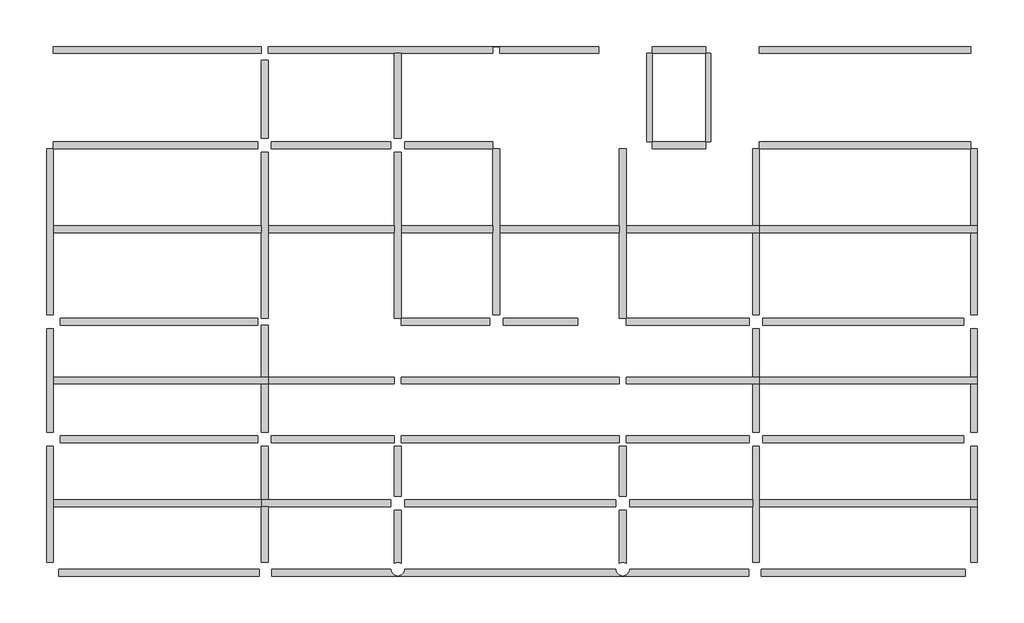
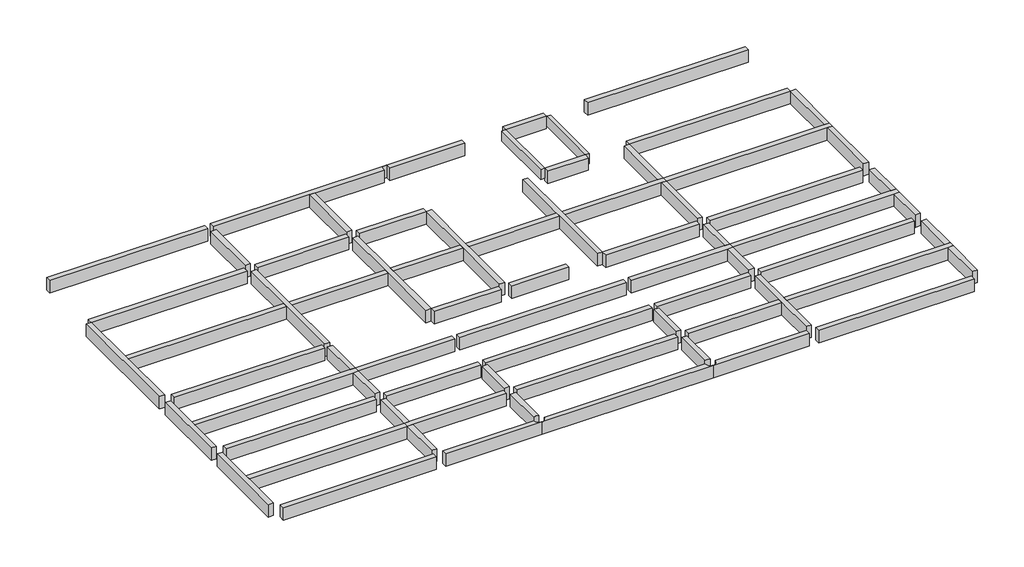
# One storey: 71 beams.
"""IFC4 building model written with IfcOpenShell, lengths in millimetres."""

from ifc_helpers import new_model, si_unit, point, frame, frame_2d, origin, place, context, project, spatial, polyline, circle_curve, trimmed, segment, composite_curve, outline, extrude, faceted_brep, element, save

model = new_model("IFC4")

# Units and contexts
model_context = context("Model", 3, world=origin())
ifc_project = project(units=[si_unit("LENGTHUNIT", "METRE", prefix="MILLI")], contexts=[model_context])

# Site, building, storey
site = spatial("IfcSite", under=ifc_project)
building = spatial("IfcBuilding", under=site)
storey = spatial("IfcBuildingStorey", under=building, Elevation=4000.0)

# Beams
placement = place(None, origin())
element("IfcBeam", 1, ObjectType="M_Concrete-Rectangular Beam", at=placement, inside=storey, context=model_context, shape_type="SweptSolid", body=[
    extrude(outline(polyline([(18442.0305702, 37517.5759125), (18442.0305702, 37117.5759125), (6442.0300012, 37117.5759125), (6442.0300012, 37517.5759125), (18442.0305702, 37517.5759125)])), frame((0.0, 0.0, 3000.0), z_axis=(0.0, 0.0, 1.0), x_axis=(1.0, 0.0, 0.0)), (0.0, 0.0, 1.0), 1000.0),
])
element("IfcBeam", 2, ObjectType="M_Concrete-Rectangular Beam", at=placement, inside=storey, context=model_context, shape_type="Brep", body=[
    faceted_brep([(18842.0305702, 37517.5759125, 4000.0), (18842.0305702, 37117.5759125, 4000.0), (26142.0300012, 37117.5759125, 4000.0), (26542.0300012, 37117.5759125, 4000.0), (31842.0300012, 37117.5759125, 4000.0), (31842.0300012, 37502.9312516, 4000.0), (32242.0300012, 37502.9312516, 4000.0), (32242.0300012, 37517.5759125, 4000.0), (18842.0305702, 37117.5759125, 3000.0), (26142.0300012, 37117.5759125, 3000.0), (26542.0300012, 37117.5759125, 3000.0), (31842.0300012, 37117.5759125, 3000.0), (18842.0305702, 37517.5759125, 3000.0), (32242.0300012, 37517.5759125, 3000.0), (32242.0300012, 37502.9312516, 3000.0), (31842.0300012, 37502.9312516, 3000.0)], [[[0, 1, 2, 3, 4, 5, 6, 7]], [[1, 8, 9, 10, 11, 4, 3, 2]], [[8, 12, 13, 14, 15, 11, 10, 9]], [[12, 0, 7, 13]], [[0, 12, 8, 1]], [[13, 7, 6, 14]], [[15, 5, 4, 11]], [[5, 15, 14, 6]]]),
])
element("IfcBeam", 3, ObjectType="M_Concrete-Rectangular Beam", at=placement, inside=storey, context=model_context, shape_type="Brep", body=[
    faceted_brep([(32242.0300012, 37517.5759125, 4000.0), (32242.0300012, 37502.9312516, 4000.0), (32242.0300012, 37117.5759125, 4000.0), (37942.0300012, 37117.5759125, 4000.0), (37942.0300012, 37517.5759125, 4000.0), (32242.0300012, 37117.5759125, 3000.0), (37942.0300012, 37117.5759125, 3000.0), (32242.0300012, 37502.9312516, 3000.0), (32242.0300012, 37517.5759125, 3000.0), (37942.0300012, 37517.5759125, 3000.0)], [[[0, 1, 2, 3, 4]], [[2, 5, 6, 3]], [[5, 7, 8, 9, 6]], [[4, 9, 8, 0]], [[0, 8, 7, 5, 2, 1]], [[4, 3, 6, 9]]]),
])
element("IfcBeam", 4, ObjectType="M_Concrete-Rectangular Beam", at=placement, inside=storey, context=model_context, shape_type="SweptSolid", body=[
    extrude(outline(polyline([(44129.3305702, 37517.5759125), (44129.3305702, 37117.5759125), (41042.0300012, 37117.5759125), (41042.0300012, 37517.5759125), (44129.3305702, 37517.5759125)])), frame((0.0, 0.0, 3000.0), z_axis=(0.0, 0.0, 1.0), x_axis=(1.0, 0.0, 0.0)), (0.0, 0.0, 1.0), 1000.0),
])
element("IfcBeam", 5, ObjectType="M_Concrete-Rectangular Beam", at=placement, inside=storey, context=model_context, shape_type="SweptSolid", body=[
    extrude(outline(polyline([(47242.0300012, 37117.0134278), (47242.0300012, 37517.0134278), (59442.0300012, 37517.0134278), (59442.0300012, 37117.0134278), (47242.0300012, 37117.0134278)])), frame((0.0, 0.0, 3000.0), z_axis=(0.0, 0.0, 1.0), x_axis=(1.0, 0.0, 0.0)), (0.0, 0.0, 1.0), 1000.0),
])
element("IfcBeam", 6, ObjectType="M_Concrete-Rectangular Beam", at=placement, inside=storey, context=model_context, shape_type="SweptSolid", body=[
    extrude(outline(polyline([(18242.0305702, 32017.5759125), (18242.0305702, 31617.5759125), (6442.0300012, 31617.5759125), (6442.0300012, 32017.5759125), (18242.0305702, 32017.5759125)])), frame((0.0, 0.0, 3000.0), z_axis=(0.0, 0.0, 1.0), x_axis=(1.0, 0.0, 0.0)), (0.0, 0.0, 1.0), 1000.0),
])
element("IfcBeam", 7, ObjectType="M_Concrete-Rectangular Beam", at=placement, inside=storey, context=model_context, shape_type="SweptSolid", body=[
    extrude(outline(polyline([(25942.0305702, 32017.5759125), (25942.0305702, 31617.5759125), (19042.0305702, 31617.5759125), (19042.0305702, 32017.5759125), (25942.0305702, 32017.5759125)])), frame((0.0, 0.0, 3000.0), z_axis=(0.0, 0.0, 1.0), x_axis=(1.0, 0.0, 0.0)), (0.0, 0.0, 1.0), 1000.0),
])
element("IfcBeam", 8, ObjectType="M_Concrete-Rectangular Beam", at=placement, inside=storey, context=model_context, shape_type="SweptSolid", body=[
    extrude(outline(polyline([(26742.0305702, 31617.5759125), (26742.0305702, 32017.5759125), (31842.0300012, 32017.5759125), (31842.0300012, 31617.5759125), (26742.0305702, 31617.5759125)])), frame((0.0, 0.0, 3000.0), z_axis=(0.0, 0.0, 1.0), x_axis=(1.0, 0.0, 0.0)), (0.0, 0.0, 1.0), 1000.0),
])
element("IfcBeam", 9, ObjectType="M_Concrete-Rectangular Beam", at=placement, inside=storey, context=model_context, shape_type="SweptSolid", body=[
    extrude(outline(polyline([(18842.0300012, 32217.5759125), (18442.0300012, 32217.5759125), (18442.0300012, 36717.5759125), (18842.0300012, 36717.5759125), (18842.0300012, 32217.5759125)])), frame((0.0, 0.0, 3000.0), z_axis=(0.0, 0.0, 1.0), x_axis=(1.0, 0.0, 0.0)), (0.0, 0.0, 1.0), 1000.0),
])
element("IfcBeam", 10, ObjectType="M_Concrete-Rectangular Beam", at=placement, inside=storey, context=model_context, shape_type="SweptSolid", body=[
    extrude(outline(polyline([(26542.0300012, 32217.5759125), (26142.0300012, 32217.5759125), (26142.0300012, 37117.5759125), (26542.0300012, 37117.5759125), (26542.0300012, 32217.5759125)])), frame((0.0, 0.0, 3000.0), z_axis=(0.0, 0.0, 1.0), x_axis=(1.0, 0.0, 0.0)), (0.0, 0.0, 1.0), 1000.0),
])
element("IfcBeam", 11, ObjectType="M_Concrete-Rectangular Beam", at=placement, inside=storey, context=model_context, shape_type="SweptSolid", body=[
    extrude(outline(polyline([(44129.3305702, 32017.5759125), (44129.3305702, 31617.5759125), (41054.7300012, 31617.5759125), (41054.7300012, 32017.5759125), (44129.3305702, 32017.5759125)])), frame((0.0, 0.0, 3000.0), z_axis=(0.0, 0.0, 1.0), x_axis=(1.0, 0.0, 0.0)), (0.0, 0.0, 1.0), 1000.0),
])
element("IfcBeam", 12, ObjectType="M_Concrete-Rectangular Beam", at=placement, inside=storey, context=model_context, shape_type="SweptSolid", body=[
    extrude(outline(polyline([(59442.0300012, 32017.5759125), (59442.0300012, 31617.5759125), (47242.0300012, 31617.5759125), (47242.0300012, 32017.5759125), (59442.0300012, 32017.5759125)])), frame((0.0, 0.0, 3000.0), z_axis=(0.0, 0.0, 1.0), x_axis=(1.0, 0.0, 0.0)), (0.0, 0.0, 1.0), 1000.0),
])
element("IfcBeam", 13, ObjectType="M_Concrete-Rectangular Beam", at=placement, inside=storey, context=model_context, shape_type="SweptSolid", body=[
    extrude(outline(polyline([(41042.0300012, 32017.5759125), (40742.0300012, 32017.5759125), (40742.0300012, 37117.5759125), (41042.0300012, 37117.5759125), (41042.0300012, 32017.5759125)])), frame((0.0, 0.0, 3200.0), z_axis=(0.0, 0.0, 1.0), x_axis=(1.0, 0.0, 0.0)), (0.0, 0.0, 1.0), 800.0),
])
element("IfcBeam", 14, ObjectType="M_Concrete-Rectangular Beam", at=placement, inside=storey, context=model_context, shape_type="SweptSolid", body=[
    extrude(outline(polyline([(44442.0305702, 32017.5759125), (44142.0305702, 32017.5759125), (44142.0305702, 37117.5759125), (44442.0305702, 37117.5759125), (44442.0305702, 32017.5759125)])), frame((0.0, 0.0, 3200.0), z_axis=(0.0, 0.0, 1.0), x_axis=(1.0, 0.0, 0.0)), (0.0, 0.0, 1.0), 800.0),
])
element("IfcBeam", 15, ObjectType="M_Concrete-Rectangular Beam", at=placement, inside=storey, context=model_context, shape_type="Brep", body=[
    faceted_brep([(6042.0300012, 22017.5759125, 4000.0), (6442.0300012, 22017.5759125, 4000.0), (6442.0300012, 26767.5759125, 4000.0), (6442.0300012, 27167.5759125, 4000.0), (6442.0300012, 31617.5759125, 4000.0), (6042.0300012, 31617.5759125, 4000.0), (6042.0300012, 22017.5759125, 3000.0), (6042.0300012, 31617.5759125, 3000.0), (6442.0300012, 22017.5759125, 3000.0), (6442.0300012, 31617.5759125, 3000.0), (6442.0300012, 27167.5759125, 3000.0), (6442.0300012, 26767.5759125, 3000.0)], [[[0, 1, 2, 3, 4, 5]], [[6, 0, 5, 7]], [[8, 6, 7, 9, 10, 11]], [[1, 8, 11, 10, 9, 4, 3, 2]], [[1, 0, 6, 8]], [[5, 4, 9, 7]]]),
])
element("IfcBeam", 16, ObjectType="M_Concrete-Rectangular Beam", at=placement, inside=storey, context=model_context, shape_type="Brep", body=[
    faceted_brep([(6442.0300012, 21217.0134278, 4000.0), (6042.0300012, 21217.0134278, 4000.0), (6042.0300012, 15217.5759125, 4000.0), (6442.0300012, 15217.5759125, 4000.0), (6442.0300012, 18017.5759125, 4000.0), (6442.0300012, 18417.5759125, 4000.0), (6042.0300012, 21217.0134278, 3000.0), (6042.0300012, 15217.5759125, 3000.0), (6442.0300012, 21217.0134278, 3000.0), (6442.0300012, 18417.5759125, 3000.0), (6442.0300012, 18017.5759125, 3000.0), (6442.0300012, 15217.5759125, 3000.0)], [[[0, 1, 2, 3, 4, 5]], [[1, 6, 7, 2]], [[6, 8, 9, 10, 11, 7]], [[8, 0, 5, 4, 3, 11, 10, 9]], [[0, 8, 6, 1]], [[3, 2, 7, 11]]]),
])
element("IfcBeam", 17, ObjectType="M_Concrete-Rectangular Beam", at=placement, inside=storey, context=model_context, shape_type="Brep", body=[
    faceted_brep([(6442.0300012, 14417.0134278, 4000.0), (6042.0300012, 14417.0134278, 4000.0), (6042.0300012, 7717.5759125, 4000.0), (6442.0300012, 7717.5759125, 4000.0), (6442.0300012, 10917.5759125, 4000.0), (6442.0300012, 11317.5759125, 4000.0), (6042.0300012, 14417.0134278, 3000.0), (6042.0300012, 7717.5759125, 3000.0), (6442.0300012, 14417.0134278, 3000.0), (6442.0300012, 11317.5759125, 3000.0), (6442.0300012, 10917.5759125, 3000.0), (6442.0300012, 7717.5759125, 3000.0)], [[[0, 1, 2, 3, 4, 5]], [[1, 6, 7, 2]], [[6, 8, 9, 10, 11, 7]], [[8, 0, 5, 4, 3, 11, 10, 9]], [[0, 8, 6, 1]], [[3, 2, 7, 11]]]),
])
element("IfcBeam", 18, ObjectType="M_Concrete-Rectangular Beam", at=placement, inside=storey, context=model_context, shape_type="Brep", body=[
    faceted_brep([(39142.0300012, 31617.0134278, 4000.0), (39542.0300012, 31617.0134278, 4000.0), (39542.0300012, 31617.0134278, 3000.0), (39142.0300012, 31617.0134278, 3000.0), (39142.0300012, 27167.5759125, 4000.0), (39142.0300012, 26767.5759125, 4000.0), (39142.0300012, 21817.5759125, 4000.0), (39542.0300012, 21817.5759125, 4000.0), (39542.0300012, 26767.5759125, 4000.0), (39542.0300012, 27167.5759125, 4000.0), (39542.0300012, 21817.5759125, 3000.0), (39542.0300012, 26767.5759125, 3000.0), (39542.0300012, 27167.5759125, 3000.0), (39142.0300012, 21817.5759125, 3000.0), (39142.0300012, 26767.5759125, 3000.0), (39142.0300012, 27167.5759125, 3000.0)], [[[0, 1, 2, 3]], [[1, 0, 4, 5, 6, 7, 8, 9]], [[2, 1, 9, 8, 7, 10, 11, 12]], [[3, 2, 12, 11, 10, 13, 14, 15]], [[0, 3, 15, 14, 13, 6, 5, 4]], [[7, 6, 13, 10]]]),
])
element("IfcBeam", 19, ObjectType="M_Concrete-Rectangular Beam", at=placement, inside=storey, context=model_context, shape_type="Brep", body=[
    faceted_brep([(31842.0300012, 31617.0134175, 4000.0), (32242.0300012, 31617.0134175, 4000.0), (32242.0300012, 31617.0134175, 3000.0), (31842.0300012, 31617.0134175, 3000.0), (31842.0300012, 27167.5759125, 4000.0), (31842.0300012, 26767.5759125, 4000.0), (31842.0300012, 22017.5759125, 4000.0), (32242.0300012, 22017.5759125, 4000.0), (32242.0300012, 26767.5759125, 4000.0), (32242.0300012, 27167.5759125, 4000.0), (32242.0300012, 22017.5759125, 3000.0), (32242.0300012, 26767.5759125, 3000.0), (32242.0300012, 27167.5759125, 3000.0), (31842.0300012, 22017.5759125, 3000.0), (31842.0300012, 26767.5759125, 3000.0), (31842.0300012, 27167.5759125, 3000.0)], [[[0, 1, 2, 3]], [[1, 0, 4, 5, 6, 7, 8, 9]], [[2, 1, 9, 8, 7, 10, 11, 12]], [[3, 2, 12, 11, 10, 13, 14, 15]], [[0, 3, 15, 14, 13, 6, 5, 4]], [[7, 6, 13, 10]]]),
])
element("IfcBeam", 20, ObjectType="M_Concrete-Rectangular Beam", at=placement, inside=storey, context=model_context, shape_type="Brep", body=[
    faceted_brep([(26542.0300012, 31417.0134278, 4000.0), (26142.0300012, 31417.0134278, 4000.0), (26142.0300012, 27167.5759125, 4000.0), (26142.0300012, 26767.5759125, 4000.0), (26142.0300012, 21817.5759125, 4000.0), (26542.0300012, 21817.5759125, 4000.0), (26542.0300012, 26767.5759125, 4000.0), (26542.0300012, 27167.5759125, 4000.0), (26542.0300012, 31417.0134278, 3000.0), (26542.0300012, 21817.5759125, 3000.0), (26542.0300012, 26767.5759125, 3000.0), (26542.0300012, 27167.5759125, 3000.0), (26142.0300012, 31417.0134278, 3000.0), (26142.0300012, 21817.5759125, 3000.0), (26142.0300012, 26767.5759125, 3000.0), (26142.0300012, 27167.5759125, 3000.0)], [[[0, 1, 2, 3, 4, 5, 6, 7]], [[8, 0, 7, 6, 5, 9, 10, 11]], [[12, 8, 11, 10, 9, 13, 14, 15]], [[1, 12, 15, 14, 13, 4, 3, 2]], [[1, 0, 8, 12]], [[5, 4, 13, 9]]]),
])
element("IfcBeam", 21, ObjectType="M_Concrete-Rectangular Beam", at=placement, inside=storey, context=model_context, shape_type="Brep", body=[
    faceted_brep([(18842.0300012, 31417.0134278, 4000.0), (18442.0300012, 31417.0134278, 4000.0), (18442.0300012, 27167.5759125, 4000.0), (18442.0300012, 26767.5759125, 4000.0), (18442.0300012, 21817.5759125, 4000.0), (18842.0300012, 21817.5759125, 4000.0), (18842.0300012, 26767.5759125, 4000.0), (18842.0300012, 27167.5759125, 4000.0), (18842.0300012, 31417.0134278, 3000.0), (18842.0300012, 21817.5759125, 3000.0), (18842.0300012, 26767.5759125, 3000.0), (18842.0300012, 27167.5759125, 3000.0), (18442.0300012, 31417.0134278, 3000.0), (18442.0300012, 21817.5759125, 3000.0), (18442.0300012, 26767.5759125, 3000.0), (18442.0300012, 27167.5759125, 3000.0)], [[[0, 1, 2, 3, 4, 5, 6, 7]], [[8, 0, 7, 6, 5, 9, 10, 11]], [[12, 8, 11, 10, 9, 13, 14, 15]], [[1, 12, 15, 14, 13, 4, 3, 2]], [[1, 0, 8, 12]], [[5, 4, 13, 9]]]),
])
element("IfcBeam", 22, ObjectType="M_Concrete-Rectangular Beam", at=placement, inside=storey, context=model_context, shape_type="SweptSolid", body=[
    extrude(outline(polyline([(6442.0300012, 26767.5759125), (6442.0300012, 27167.5759125), (18442.0300012, 27167.5759125), (18442.0300012, 26767.5759125), (6442.0300012, 26767.5759125)])), frame((0.0, 0.0, 3000.0), z_axis=(0.0, 0.0, 1.0), x_axis=(1.0, 0.0, 0.0)), (0.0, 0.0, 1.0), 1000.0),
])
element("IfcBeam", 23, ObjectType="M_Concrete-Rectangular Beam", at=placement, inside=storey, context=model_context, shape_type="SweptSolid", body=[
    extrude(outline(polyline([(26142.0300012, 27167.5759125), (26142.0300012, 26767.5759125), (18842.0300012, 26767.5759125), (18842.0300012, 27167.5759125), (26142.0300012, 27167.5759125)])), frame((0.0, 0.0, 3000.0), z_axis=(0.0, 0.0, 1.0), x_axis=(1.0, 0.0, 0.0)), (0.0, 0.0, 1.0), 1000.0),
])
element("IfcBeam", 24, ObjectType="M_Concrete-Rectangular Beam", at=placement, inside=storey, context=model_context, shape_type="SweptSolid", body=[
    extrude(outline(polyline([(31842.0300012, 27167.5759125), (31842.0300012, 26767.5759125), (26542.0300012, 26767.5759125), (26542.0300012, 27167.5759125), (31842.0300012, 27167.5759125)])), frame((0.0, 0.0, 3000.0), z_axis=(0.0, 0.0, 1.0), x_axis=(1.0, 0.0, 0.0)), (0.0, 0.0, 1.0), 1000.0),
])
element("IfcBeam", 25, ObjectType="M_Concrete-Rectangular Beam", at=placement, inside=storey, context=model_context, shape_type="SweptSolid", body=[
    extrude(outline(polyline([(39142.0300012, 27167.5759125), (39142.0300012, 26767.5759125), (32242.0300012, 26767.5759125), (32242.0300012, 27167.5759125), (39142.0300012, 27167.5759125)])), frame((0.0, 0.0, 3000.0), z_axis=(0.0, 0.0, 1.0), x_axis=(1.0, 0.0, 0.0)), (0.0, 0.0, 1.0), 1000.0),
])
element("IfcBeam", 26, ObjectType="M_Concrete-Rectangular Beam", at=placement, inside=storey, context=model_context, shape_type="Brep", body=[
    faceted_brep([(47242.0300012, 26767.5759125, 4000.0), (47242.0300012, 27167.5759125, 4000.0), (46842.0300012, 27167.5759125, 4000.0), (39542.0300012, 27167.5759125, 4000.0), (39542.0300012, 26767.5759125, 4000.0), (46842.0300012, 26767.5759125, 4000.0), (47242.0300012, 26767.5759125, 3000.0), (39542.0300012, 26767.5759125, 3000.0), (46842.0300012, 26767.5759125, 3000.0), (47242.0300012, 27167.5759125, 3000.0), (39542.0300012, 27167.5759125, 3000.0), (46842.0300012, 27167.5759125, 3000.0)], [[[0, 1, 2, 3, 4, 5]], [[6, 0, 5, 4, 7, 8]], [[9, 6, 8, 7, 10, 11]], [[1, 9, 11, 10, 3, 2]], [[4, 3, 10, 7]], [[1, 0, 6, 9]]]),
])
element("IfcBeam", 27, ObjectType="M_Concrete-Rectangular Beam", at=placement, inside=storey, context=model_context, shape_type="Brep", body=[
    faceted_brep([(59842.0300012, 26767.5759125, 4000.0), (59842.0300012, 27167.5759125, 4000.0), (59442.0300012, 27167.5759125, 4000.0), (47242.0300012, 27167.5759125, 4000.0), (47242.0300012, 26767.5759125, 4000.0), (59442.0300012, 26767.5759125, 4000.0), (59842.0300012, 26767.5759125, 3000.0), (47242.0300012, 26767.5759125, 3000.0), (59442.0300012, 26767.5759125, 3000.0), (59842.0300012, 27167.5759125, 3000.0), (47242.0300012, 27167.5759125, 3000.0), (59442.0300012, 27167.5759125, 3000.0)], [[[0, 1, 2, 3, 4, 5]], [[6, 0, 5, 4, 7, 8]], [[9, 6, 8, 7, 10, 11]], [[1, 9, 11, 10, 3, 2]], [[1, 0, 6, 9]], [[4, 3, 10, 7]]]),
])
element("IfcBeam", 28, ObjectType="M_Concrete-Rectangular Beam", at=placement, inside=storey, context=model_context, shape_type="SweptSolid", body=[
    extrude(outline(polyline([(59842.0300012, 27167.5759125), (59442.0300012, 27167.5759125), (59442.0300012, 31617.5759125), (59842.0300012, 31617.5759125), (59842.0300012, 27167.5759125)])), frame((0.0, 0.0, 3000.0), z_axis=(0.0, 0.0, 1.0), x_axis=(1.0, 0.0, 0.0)), (0.0, 0.0, 1.0), 1000.0),
])
element("IfcBeam", 29, ObjectType="M_Concrete-Rectangular Beam", at=placement, inside=storey, context=model_context, shape_type="SweptSolid", body=[
    extrude(outline(polyline([(59842.0300012, 22017.5759125), (59442.0300012, 22017.5759125), (59442.0300012, 26767.5759125), (59842.0300012, 26767.5759125), (59842.0300012, 22017.5759125)])), frame((0.0, 0.0, 3000.0), z_axis=(0.0, 0.0, 1.0), x_axis=(1.0, 0.0, 0.0)), (0.0, 0.0, 1.0), 1000.0),
])
element("IfcBeam", 30, ObjectType="M_Concrete-Rectangular Beam", at=placement, inside=storey, context=model_context, shape_type="SweptSolid", body=[
    extrude(outline(polyline([(46842.0300012, 31617.0134278), (47242.0300012, 31617.0134278), (47242.0300012, 27167.5759125), (46842.0300012, 27167.5759125), (46842.0300012, 31617.0134278)])), frame((0.0, 0.0, 3000.0), z_axis=(0.0, 0.0, 1.0), x_axis=(1.0, 0.0, 0.0)), (0.0, 0.0, 1.0), 1000.0),
])
element("IfcBeam", 31, ObjectType="M_Concrete-Rectangular Beam", at=placement, inside=storey, context=model_context, shape_type="SweptSolid", body=[
    extrude(outline(polyline([(47242.0300012, 22017.5759125), (46842.0300012, 22017.5759125), (46842.0300012, 26767.5759125), (47242.0300012, 26767.5759125), (47242.0300012, 22017.5759125)])), frame((0.0, 0.0, 3000.0), z_axis=(0.0, 0.0, 1.0), x_axis=(1.0, 0.0, 0.0)), (0.0, 0.0, 1.0), 1000.0),
])
element("IfcBeam", 32, ObjectType="M_Concrete-Rectangular Beam", at=placement, inside=storey, context=model_context, shape_type="SweptSolid", body=[
    extrude(outline(polyline([(59042.0305702, 21817.5759125), (59042.0305702, 21417.5759125), (47442.0305702, 21417.5759125), (47442.0305702, 21817.5759125), (59042.0305702, 21817.5759125)])), frame((0.0, 0.0, 3000.0), z_axis=(0.0, 0.0, 1.0), x_axis=(1.0, 0.0, 0.0)), (0.0, 0.0, 1.0), 1000.0),
])
element("IfcBeam", 33, ObjectType="M_Concrete-Rectangular Beam", at=placement, inside=storey, context=model_context, shape_type="SweptSolid", body=[
    extrude(outline(polyline([(46642.0305702, 21817.5759125), (46642.0305702, 21417.5759125), (39542.0300012, 21417.5759125), (39542.0300012, 21817.5759125), (46642.0305702, 21817.5759125)])), frame((0.0, 0.0, 3000.0), z_axis=(0.0, 0.0, 1.0), x_axis=(1.0, 0.0, 0.0)), (0.0, 0.0, 1.0), 1000.0),
])
element("IfcBeam", 34, ObjectType="M_Concrete-Rectangular Beam", at=placement, inside=storey, context=model_context, shape_type="SweptSolid", body=[
    extrude(outline(polyline([(32442.0305702, 21417.5759125), (32442.0305702, 21817.5759125), (36742.0305702, 21817.5759125), (36742.0305702, 21417.5759125), (32442.0305702, 21417.5759125)])), frame((0.0, 0.0, 3000.0), z_axis=(0.0, 0.0, 1.0), x_axis=(1.0, 0.0, 0.0)), (0.0, 0.0, 1.0), 1000.0),
])
element("IfcBeam", 35, ObjectType="M_Concrete-Rectangular Beam", at=placement, inside=storey, context=model_context, shape_type="SweptSolid", body=[
    extrude(outline(polyline([(31642.0300012, 21817.5759125), (31642.0300012, 21417.5759125), (26542.0300012, 21417.5759125), (26542.0300012, 21817.5759125), (31642.0300012, 21817.5759125)])), frame((0.0, 0.0, 3000.0), z_axis=(0.0, 0.0, 1.0), x_axis=(1.0, 0.0, 0.0)), (0.0, 0.0, 1.0), 1000.0),
])
element("IfcBeam", 36, ObjectType="M_Concrete-Rectangular Beam", at=placement, inside=storey, context=model_context, shape_type="SweptSolid", body=[
    extrude(outline(polyline([(6842.0305702, 21417.5759125), (6842.0305702, 21817.5759125), (18242.0305702, 21817.5759125), (18242.0305702, 21417.5759125), (6842.0305702, 21417.5759125)])), frame((0.0, 0.0, 3000.0), z_axis=(0.0, 0.0, 1.0), x_axis=(1.0, 0.0, 0.0)), (0.0, 0.0, 1.0), 1000.0),
])
element("IfcBeam", 37, ObjectType="M_Concrete-Rectangular Beam", at=placement, inside=storey, context=model_context, shape_type="SweptSolid", body=[
    extrude(outline(polyline([(6842.0305702, 14617.5759125), (6842.0305702, 15017.5759125), (18242.0305702, 15017.5759125), (18242.0305702, 14617.5759125), (6842.0305702, 14617.5759125)])), frame((0.0, 0.0, 3000.0), z_axis=(0.0, 0.0, 1.0), x_axis=(1.0, 0.0, 0.0)), (0.0, 0.0, 1.0), 1000.0),
])
element("IfcBeam", 38, ObjectType="M_Concrete-Rectangular Beam", at=placement, inside=storey, context=model_context, shape_type="SweptSolid", body=[
    extrude(outline(polyline([(18342.0305702, 7317.5759125), (18342.0305702, 6917.5759125), (6742.0305702, 6917.5759125), (6742.0305702, 7317.5759125), (18342.0305702, 7317.5759125)])), frame((0.0, 0.0, 3000.0), z_axis=(0.0, 0.0, 1.0), x_axis=(1.0, 0.0, 0.0)), (0.0, 0.0, 1.0), 1000.0),
])
element("IfcBeam", 39, ObjectType="M_Concrete-Rectangular Beam", at=placement, inside=storey, context=model_context, shape_type="SweptSolid", body=[
    extrude(outline(composite_curve([segment(polyline([(26342.0300012, 6917.5759125), (19052.0300012, 6917.5759125), (19052.0300012, 7317.5759125), (25942.0300012, 7317.5759125)]), True, "CONTINUOUS"), segment(trimmed(circle_curve(frame_2d((26342.0300012, 7317.5759125)), 400.0), [point((25942.0300012, 7317.5759125))], [point((26342.0300012, 6917.5759125))], True, "CARTESIAN"), True, "CONTINUOUS")], self_intersect=False)), frame((0.0, 0.0, 3000.0), z_axis=(0.0, 0.0, 1.0), x_axis=(1.0, 0.0, 0.0)), (0.0, 0.0, 1.0), 1000.0),
])
element("IfcBeam", 40, ObjectType="M_Concrete-Rectangular Beam", at=placement, inside=storey, context=model_context, shape_type="SweptSolid", body=[
    extrude(outline(composite_curve([segment(polyline([(39342.0300012, 6917.5759125), (26342.0300012, 6917.5759125)]), True, "CONTINUOUS"), segment(trimmed(circle_curve(frame_2d((26342.0300012, 7317.5759125)), 400.0), [point((26342.0300012, 6917.5759125))], [point((26742.0300012, 7317.5759125))], True, "CARTESIAN"), True, "CONTINUOUS"), segment(polyline([(26742.0300012, 7317.5759125), (38942.0300012, 7317.5759125)]), True, "CONTINUOUS"), segment(trimmed(circle_curve(frame_2d((39342.0300012, 7317.5759125)), 400.0), [point((38942.0300012, 7317.5759125))], [point((39342.0300012, 6917.5759125))], True, "CARTESIAN"), True, "CONTINUOUS")], self_intersect=False)), frame((0.0, 0.0, 3000.0), z_axis=(0.0, 0.0, 1.0), x_axis=(1.0, 0.0, 0.0)), (0.0, 0.0, 1.0), 1000.0),
])
element("IfcBeam", 41, ObjectType="M_Concrete-Rectangular Beam", at=placement, inside=storey, context=model_context, shape_type="SweptSolid", body=[
    extrude(outline(composite_curve([segment(polyline([(26142.0300012, 10717.0134278), (26542.0300012, 10717.0134278), (26542.0300012, 7663.986074)]), True, "CONTINUOUS"), segment(trimmed(circle_curve(frame_2d((26342.0300012, 7317.5759125)), 400.0), [point((26542.0300012, 7663.986074))], [point((26142.0300012, 7663.986074))], True, "CARTESIAN"), True, "CONTINUOUS"), segment(polyline([(26142.0300012, 7663.986074), (26142.0300012, 10717.0134278)]), True, "CONTINUOUS")], self_intersect=False)), frame((0.0, 0.0, 3000.0), z_axis=(0.0, 0.0, 1.0), x_axis=(1.0, 0.0, 0.0)), (0.0, 0.0, 1.0), 1000.0),
])
element("IfcBeam", 42, ObjectType="M_Concrete-Rectangular Beam", at=placement, inside=storey, context=model_context, shape_type="SweptSolid", body=[
    extrude(outline(composite_curve([segment(polyline([(46632.0300012, 6917.5759125), (39342.0300012, 6917.5759125)]), True, "CONTINUOUS"), segment(trimmed(circle_curve(frame_2d((39342.0300012, 7317.5759125)), 400.0), [point((39342.0300012, 6917.5759125))], [point((39742.0300012, 7317.5759125))], True, "CARTESIAN"), True, "CONTINUOUS"), segment(polyline([(39742.0300012, 7317.5759125), (46632.0300012, 7317.5759125), (46632.0300012, 6917.5759125)]), True, "CONTINUOUS")], self_intersect=False)), frame((0.0, 0.0, 3000.0), z_axis=(0.0, 0.0, 1.0), x_axis=(1.0, 0.0, 0.0)), (0.0, 0.0, 1.0), 1000.0),
])
element("IfcBeam", 43, ObjectType="M_Concrete-Rectangular Beam", at=placement, inside=storey, context=model_context, shape_type="SweptSolid", body=[
    extrude(outline(composite_curve([segment(polyline([(39142.0300012, 10717.0134278), (39542.0300012, 10717.0134278), (39542.0300012, 7663.986074)]), True, "CONTINUOUS"), segment(trimmed(circle_curve(frame_2d((39342.0300012, 7317.5759125)), 400.0), [point((39542.0300012, 7663.986074))], [point((39142.0300012, 7663.986074))], True, "CARTESIAN"), True, "CONTINUOUS"), segment(polyline([(39142.0300012, 7663.986074), (39142.0300012, 10717.0134278)]), True, "CONTINUOUS")], self_intersect=False)), frame((0.0, 0.0, 3000.0), z_axis=(0.0, 0.0, 1.0), x_axis=(1.0, 0.0, 0.0)), (0.0, 0.0, 1.0), 1000.0),
])
element("IfcBeam", 44, ObjectType="M_Concrete-Rectangular Beam", at=placement, inside=storey, context=model_context, shape_type="SweptSolid", body=[
    extrude(outline(polyline([(59142.0305702, 7317.5759125), (59142.0305702, 6917.5759125), (47342.0305702, 6917.5759125), (47342.0305702, 7317.5759125), (59142.0305702, 7317.5759125)])), frame((0.0, 0.0, 3000.0), z_axis=(0.0, 0.0, 1.0), x_axis=(1.0, 0.0, 0.0)), (0.0, 0.0, 1.0), 1000.0),
])
element("IfcBeam", 45, ObjectType="M_Concrete-Rectangular Beam", at=placement, inside=storey, context=model_context, shape_type="Brep", body=[
    faceted_brep([(47242.0300012, 14417.5759125, 4000.0), (46842.0300012, 14417.5759125, 4000.0), (46842.0300012, 11317.5759125, 4000.0), (46842.0300012, 10917.5759125, 4000.0), (46842.0300012, 7717.5759125, 4000.0), (47242.0300012, 7717.5759125, 4000.0), (47242.0300012, 10917.5759125, 4000.0), (47242.0300012, 11317.5759125, 4000.0), (47242.0300012, 14417.5759125, 3000.0), (47242.0300012, 7717.5759125, 3000.0), (47242.0300012, 10917.5759125, 3000.0), (47242.0300012, 11317.5759125, 3000.0), (46842.0300012, 14417.5759125, 3000.0), (46842.0300012, 7717.5759125, 3000.0), (46842.0300012, 10917.5759125, 3000.0), (46842.0300012, 11317.5759125, 3000.0)], [[[0, 1, 2, 3, 4, 5, 6, 7]], [[8, 0, 7, 6, 5, 9, 10, 11]], [[12, 8, 11, 10, 9, 13, 14, 15]], [[1, 12, 15, 14, 13, 4, 3, 2]], [[1, 0, 8, 12]], [[5, 4, 13, 9]]]),
])
element("IfcBeam", 46, ObjectType="M_Concrete-Rectangular Beam", at=placement, inside=storey, context=model_context, shape_type="Brep", body=[
    faceted_brep([(18842.0300012, 18017.5759125, 4000.0), (18842.0300012, 18417.5759125, 4000.0), (18442.0300012, 18417.5759125, 4000.0), (6442.0300012, 18417.5759125, 4000.0), (6442.0300012, 18017.5759125, 4000.0), (18442.0300012, 18017.5759125, 4000.0), (18842.0300012, 18017.5759125, 3000.0), (6442.0300012, 18017.5759125, 3000.0), (18442.0300012, 18017.5759125, 3000.0), (18842.0300012, 18417.5759125, 3000.0), (6442.0300012, 18417.5759125, 3000.0), (18442.0300012, 18417.5759125, 3000.0)], [[[0, 1, 2, 3, 4, 5]], [[6, 0, 5, 4, 7, 8]], [[9, 6, 8, 7, 10, 11]], [[1, 9, 11, 10, 3, 2]], [[4, 3, 10, 7]], [[1, 0, 6, 9]]]),
])
element("IfcBeam", 47, ObjectType="M_Concrete-Rectangular Beam", at=placement, inside=storey, context=model_context, shape_type="SweptSolid", body=[
    extrude(outline(polyline([(26142.0300012, 18417.5759125), (26142.0300012, 18017.5759125), (18842.0300012, 18017.5759125), (18842.0300012, 18417.5759125), (26142.0300012, 18417.5759125)])), frame((0.0, 0.0, 3000.0), z_axis=(0.0, 0.0, 1.0), x_axis=(1.0, 0.0, 0.0)), (0.0, 0.0, 1.0), 1000.0),
])
element("IfcBeam", 48, ObjectType="M_Concrete-Rectangular Beam", at=placement, inside=storey, context=model_context, shape_type="SweptSolid", body=[
    extrude(outline(polyline([(18842.0300012, 15217.5759125), (18442.0300012, 15217.5759125), (18442.0300012, 18017.5759125), (18842.0300012, 18017.5759125), (18842.0300012, 15217.5759125)])), frame((0.0, 0.0, 3000.0), z_axis=(0.0, 0.0, 1.0), x_axis=(1.0, 0.0, 0.0)), (0.0, 0.0, 1.0), 1000.0),
])
element("IfcBeam", 49, ObjectType="M_Concrete-Rectangular Beam", at=placement, inside=storey, context=model_context, shape_type="SweptSolid", body=[
    extrude(outline(polyline([(18442.0300012, 21417.0134278), (18842.0300012, 21417.0134278), (18842.0300012, 18417.5759125), (18442.0300012, 18417.5759125), (18442.0300012, 21417.0134278)])), frame((0.0, 0.0, 3000.0), z_axis=(0.0, 0.0, 1.0), x_axis=(1.0, 0.0, 0.0)), (0.0, 0.0, 1.0), 1000.0),
])
element("IfcBeam", 50, ObjectType="M_Concrete-Rectangular Beam", at=placement, inside=storey, context=model_context, shape_type="SweptSolid", body=[
    extrude(outline(polyline([(26542.0300012, 18017.5759125), (26542.0300012, 18417.5759125), (39142.0300012, 18417.5759125), (39142.0300012, 18017.5759125), (26542.0300012, 18017.5759125)])), frame((0.0, 0.0, 3000.0), z_axis=(0.0, 0.0, 1.0), x_axis=(1.0, 0.0, 0.0)), (0.0, 0.0, 1.0), 1000.0),
])
element("IfcBeam", 51, ObjectType="M_Concrete-Rectangular Beam", at=placement, inside=storey, context=model_context, shape_type="SweptSolid", body=[
    extrude(outline(polyline([(26142.0300012, 14417.0134278), (26542.0300012, 14417.0134278), (26542.0300012, 11517.5759125), (26142.0300012, 11517.5759125), (26142.0300012, 14417.0134278)])), frame((0.0, 0.0, 3000.0), z_axis=(0.0, 0.0, 1.0), x_axis=(1.0, 0.0, 0.0)), (0.0, 0.0, 1.0), 1000.0),
])
element("IfcBeam", 52, ObjectType="M_Concrete-Rectangular Beam", at=placement, inside=storey, context=model_context, shape_type="SweptSolid", body=[
    extrude(outline(polyline([(38942.0300012, 11317.5759125), (38942.0300012, 10917.5759125), (26742.0305702, 10917.5759125), (26742.0305702, 11317.5759125), (38942.0300012, 11317.5759125)])), frame((0.0, 0.0, 3000.0), z_axis=(0.0, 0.0, 1.0), x_axis=(1.0, 0.0, 0.0)), (0.0, 0.0, 1.0), 1000.0),
])
element("IfcBeam", 53, ObjectType="M_Concrete-Rectangular Beam", at=placement, inside=storey, context=model_context, shape_type="Brep", body=[
    faceted_brep([(25942.0305702, 10917.5759125, 4000.0), (25942.0305702, 11317.5759125, 4000.0), (18842.0300012, 11317.5759125, 4000.0), (18442.0300012, 11317.5759125, 4000.0), (18442.0300012, 10917.5759125, 4000.0), (18842.0300012, 10917.5759125, 4000.0), (25942.0305702, 11317.5759125, 3000.0), (18842.0300012, 11317.5759125, 3000.0), (18442.0300012, 11317.5759125, 3000.0), (25942.0305702, 10917.5759125, 3000.0), (18842.0300012, 10917.5759125, 3000.0), (18442.0300012, 10917.5759125, 3000.0)], [[[0, 1, 2, 3, 4, 5]], [[1, 6, 7, 8, 3, 2]], [[6, 9, 10, 11, 8, 7]], [[9, 0, 5, 4, 11, 10]], [[0, 9, 6, 1]], [[4, 3, 8, 11]]]),
])
element("IfcBeam", 54, ObjectType="M_Concrete-Rectangular Beam", at=placement, inside=storey, context=model_context, shape_type="SweptSolid", body=[
    extrude(outline(polyline([(6442.0300012, 10917.5759125), (6442.0300012, 11317.5759125), (18442.0300012, 11317.5759125), (18442.0300012, 10917.5759125), (6442.0300012, 10917.5759125)])), frame((0.0, 0.0, 3000.0), z_axis=(0.0, 0.0, 1.0), x_axis=(1.0, 0.0, 0.0)), (0.0, 0.0, 1.0), 1000.0),
])
element("IfcBeam", 55, ObjectType="M_Concrete-Rectangular Beam", at=placement, inside=storey, context=model_context, shape_type="SweptSolid", body=[
    extrude(outline(polyline([(18442.0300012, 14417.5759125), (18842.0300012, 14417.5759125), (18842.0300012, 11317.5759125), (18442.0300012, 11317.5759125), (18442.0300012, 14417.5759125)])), frame((0.0, 0.0, 3000.0), z_axis=(0.0, 0.0, 1.0), x_axis=(1.0, 0.0, 0.0)), (0.0, 0.0, 1.0), 1000.0),
])
element("IfcBeam", 56, ObjectType="M_Concrete-Rectangular Beam", at=placement, inside=storey, context=model_context, shape_type="SweptSolid", body=[
    extrude(outline(polyline([(18842.0300012, 7717.5759125), (18442.0300012, 7717.5759125), (18442.0300012, 10917.5759125), (18842.0300012, 10917.5759125), (18842.0300012, 7717.5759125)])), frame((0.0, 0.0, 3000.0), z_axis=(0.0, 0.0, 1.0), x_axis=(1.0, 0.0, 0.0)), (0.0, 0.0, 1.0), 1000.0),
])
element("IfcBeam", 57, ObjectType="M_Concrete-Rectangular Beam", at=placement, inside=storey, context=model_context, shape_type="SweptSolid", body=[
    extrude(outline(polyline([(19042.0305702, 14617.5759125), (19042.0305702, 15017.5759125), (26142.0300012, 15017.5759125), (26142.0300012, 14617.5759125), (19042.0305702, 14617.5759125)])), frame((0.0, 0.0, 3000.0), z_axis=(0.0, 0.0, 1.0), x_axis=(1.0, 0.0, 0.0)), (0.0, 0.0, 1.0), 1000.0),
])
element("IfcBeam", 58, ObjectType="M_Concrete-Rectangular Beam", at=placement, inside=storey, context=model_context, shape_type="SweptSolid", body=[
    extrude(outline(polyline([(26542.0300012, 14617.5759125), (26542.0300012, 15017.5759125), (39142.0300012, 15017.5759125), (39142.0300012, 14617.5759125), (26542.0300012, 14617.5759125)])), frame((0.0, 0.0, 3000.0), z_axis=(0.0, 0.0, 1.0), x_axis=(1.0, 0.0, 0.0)), (0.0, 0.0, 1.0), 1000.0),
])
element("IfcBeam", 59, ObjectType="M_Concrete-Rectangular Beam", at=placement, inside=storey, context=model_context, shape_type="SweptSolid", body=[
    extrude(outline(polyline([(46642.0300012, 15017.5759125), (46642.0300012, 14617.5759125), (39542.0300012, 14617.5759125), (39542.0300012, 15017.5759125), (46642.0300012, 15017.5759125)])), frame((0.0, 0.0, 3000.0), z_axis=(0.0, 0.0, 1.0), x_axis=(1.0, 0.0, 0.0)), (0.0, 0.0, 1.0), 1000.0),
])
element("IfcBeam", 60, ObjectType="M_Concrete-Rectangular Beam", at=placement, inside=storey, context=model_context, shape_type="Brep", body=[
    faceted_brep([(47242.0300012, 18017.5759125, 4000.0), (47242.0300012, 18417.5759125, 4000.0), (46842.0300012, 18417.5759125, 4000.0), (39542.0300012, 18417.5759125, 4000.0), (39542.0300012, 18017.5759125, 4000.0), (46842.0300012, 18017.5759125, 4000.0), (47242.0300012, 18017.5759125, 3000.0), (39542.0300012, 18017.5759125, 3000.0), (46842.0300012, 18017.5759125, 3000.0), (47242.0300012, 18417.5759125, 3000.0), (39542.0300012, 18417.5759125, 3000.0), (46842.0300012, 18417.5759125, 3000.0)], [[[0, 1, 2, 3, 4, 5]], [[6, 0, 5, 4, 7, 8]], [[9, 6, 8, 7, 10, 11]], [[1, 9, 11, 10, 3, 2]], [[4, 3, 10, 7]], [[1, 0, 6, 9]]]),
])
element("IfcBeam", 61, ObjectType="M_Concrete-Rectangular Beam", at=placement, inside=storey, context=model_context, shape_type="Brep", body=[
    faceted_brep([(59842.0300012, 18017.5759125, 4000.0), (59842.0300012, 18417.5759125, 4000.0), (59442.0300012, 18417.5759125, 4000.0), (47242.0300012, 18417.5759125, 4000.0), (47242.0300012, 18017.5759125, 4000.0), (59442.0300012, 18017.5759125, 4000.0), (59842.0300012, 18017.5759125, 3000.0), (47242.0300012, 18017.5759125, 3000.0), (59442.0300012, 18017.5759125, 3000.0), (59842.0300012, 18417.5759125, 3000.0), (47242.0300012, 18417.5759125, 3000.0), (59442.0300012, 18417.5759125, 3000.0)], [[[0, 1, 2, 3, 4, 5]], [[6, 0, 5, 4, 7, 8]], [[9, 6, 8, 7, 10, 11]], [[1, 9, 11, 10, 3, 2]], [[4, 3, 10, 7]], [[1, 0, 6, 9]]]),
])
element("IfcBeam", 62, ObjectType="M_Concrete-Rectangular Beam", at=placement, inside=storey, context=model_context, shape_type="SweptSolid", body=[
    extrude(outline(polyline([(46842.0300012, 21217.5759125), (47242.0300012, 21217.5759125), (47242.0300012, 18417.5759125), (46842.0300012, 18417.5759125), (46842.0300012, 21217.5759125)])), frame((0.0, 0.0, 3000.0), z_axis=(0.0, 0.0, 1.0), x_axis=(1.0, 0.0, 0.0)), (0.0, 0.0, 1.0), 1000.0),
])
element("IfcBeam", 63, ObjectType="M_Concrete-Rectangular Beam", at=placement, inside=storey, context=model_context, shape_type="SweptSolid", body=[
    extrude(outline(polyline([(47242.0300012, 15217.5759125), (46842.0300012, 15217.5759125), (46842.0300012, 18017.5759125), (47242.0300012, 18017.5759125), (47242.0300012, 15217.5759125)])), frame((0.0, 0.0, 3000.0), z_axis=(0.0, 0.0, 1.0), x_axis=(1.0, 0.0, 0.0)), (0.0, 0.0, 1.0), 1000.0),
])
element("IfcBeam", 64, ObjectType="M_Concrete-Rectangular Beam", at=placement, inside=storey, context=model_context, shape_type="SweptSolid", body=[
    extrude(outline(polyline([(59442.0300012, 21217.0134278), (59842.0300012, 21217.0134278), (59842.0300012, 18417.5759125), (59442.0300012, 18417.5759125), (59442.0300012, 21217.0134278)])), frame((0.0, 0.0, 3000.0), z_axis=(0.0, 0.0, 1.0), x_axis=(1.0, 0.0, 0.0)), (0.0, 0.0, 1.0), 1000.0),
])
element("IfcBeam", 65, ObjectType="M_Concrete-Rectangular Beam", at=placement, inside=storey, context=model_context, shape_type="SweptSolid", body=[
    extrude(outline(polyline([(59842.0300012, 15217.5759125), (59442.0300012, 15217.5759125), (59442.0300012, 18017.5759125), (59842.0300012, 18017.5759125), (59842.0300012, 15217.5759125)])), frame((0.0, 0.0, 3000.0), z_axis=(0.0, 0.0, 1.0), x_axis=(1.0, 0.0, 0.0)), (0.0, 0.0, 1.0), 1000.0),
])
element("IfcBeam", 66, ObjectType="M_Concrete-Rectangular Beam", at=placement, inside=storey, context=model_context, shape_type="SweptSolid", body=[
    extrude(outline(polyline([(47442.0305702, 14617.5759125), (47442.0305702, 15017.5759125), (59042.0300012, 15017.5759125), (59042.0300012, 14617.5759125), (47442.0305702, 14617.5759125)])), frame((0.0, 0.0, 3000.0), z_axis=(0.0, 0.0, 1.0), x_axis=(1.0, 0.0, 0.0)), (0.0, 0.0, 1.0), 1000.0),
])
element("IfcBeam", 67, ObjectType="M_Concrete-Rectangular Beam", at=placement, inside=storey, context=model_context, shape_type="SweptSolid", body=[
    extrude(outline(polyline([(39742.0305702, 10917.5759125), (39742.0305702, 11317.5759125), (46842.0300012, 11317.5759125), (46842.0300012, 10917.5759125), (39742.0305702, 10917.5759125)])), frame((0.0, 0.0, 3000.0), z_axis=(0.0, 0.0, 1.0), x_axis=(1.0, 0.0, 0.0)), (0.0, 0.0, 1.0), 1000.0),
])
element("IfcBeam", 68, ObjectType="M_Concrete-Rectangular Beam", at=placement, inside=storey, context=model_context, shape_type="Brep", body=[
    faceted_brep([(59842.0300012, 10917.5759125, 4000.0), (59842.0300012, 11317.5759125, 4000.0), (59442.0300012, 11317.5759125, 4000.0), (47242.0300012, 11317.5759125, 4000.0), (47242.0300012, 10917.5759125, 4000.0), (59442.0300012, 10917.5759125, 4000.0), (59842.0300012, 10917.5759125, 3000.0), (47242.0300012, 10917.5759125, 3000.0), (59442.0300012, 10917.5759125, 3000.0), (59842.0300012, 11317.5759125, 3000.0), (47242.0300012, 11317.5759125, 3000.0), (59442.0300012, 11317.5759125, 3000.0)], [[[0, 1, 2, 3, 4, 5]], [[6, 0, 5, 4, 7, 8]], [[9, 6, 8, 7, 10, 11]], [[1, 9, 11, 10, 3, 2]], [[4, 3, 10, 7]], [[1, 0, 6, 9]]]),
])
element("IfcBeam", 69, ObjectType="M_Concrete-Rectangular Beam", at=placement, inside=storey, context=model_context, shape_type="SweptSolid", body=[
    extrude(outline(polyline([(59442.0300012, 14417.0134278), (59842.0300012, 14417.0134278), (59842.0300012, 11317.5759125), (59442.0300012, 11317.5759125), (59442.0300012, 14417.0134278)])), frame((0.0, 0.0, 3000.0), z_axis=(0.0, 0.0, 1.0), x_axis=(1.0, 0.0, 0.0)), (0.0, 0.0, 1.0), 1000.0),
])
element("IfcBeam", 70, ObjectType="M_Concrete-Rectangular Beam", at=placement, inside=storey, context=model_context, shape_type="SweptSolid", body=[
    extrude(outline(polyline([(59842.0300012, 7717.5759125), (59442.0300012, 7717.5759125), (59442.0300012, 10917.5759125), (59842.0300012, 10917.5759125), (59842.0300012, 7717.5759125)])), frame((0.0, 0.0, 3000.0), z_axis=(0.0, 0.0, 1.0), x_axis=(1.0, 0.0, 0.0)), (0.0, 0.0, 1.0), 1000.0),
])
element("IfcBeam", 71, ObjectType="M_Concrete-Rectangular Beam", at=placement, inside=storey, context=model_context, shape_type="SweptSolid", body=[
    extrude(outline(polyline([(39142.0300012, 14417.0134278), (39542.0300012, 14417.0134278), (39542.0300012, 11517.5759125), (39142.0300012, 11517.5759125), (39142.0300012, 14417.0134278)])), frame((0.0, 0.0, 3000.0), z_axis=(0.0, 0.0, 1.0), x_axis=(1.0, 0.0, 0.0)), (0.0, 0.0, 1.0), 1000.0),
])

save(model, "model.ifc")
